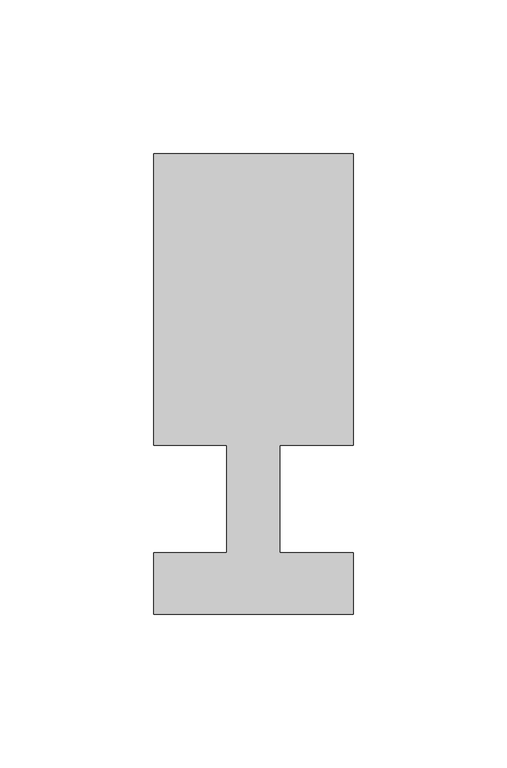
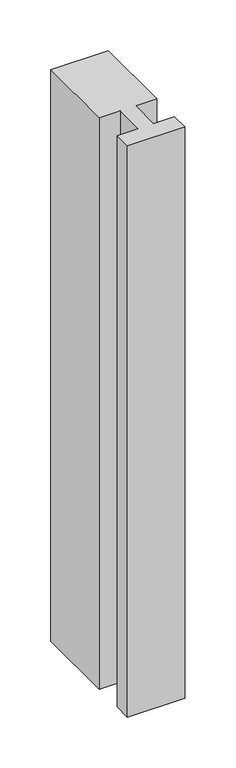
"""IFC4 building model written with IfcOpenShell, lengths in millimetres: member geometry."""

from ifc_helpers import new_model, si_unit, frame, origin, place, context, project, spatial, polyline, outline, extrude, source, transform, mapped, element, save


def member_43428e06(model_context):
    return source(origin(), model_context, "Body", "SweptSolid", [
        extrude(outline(polyline([(-32.5, -37.0), (-32.5, -17.0), (-8.6875, -17.0), (-8.6875, 18.0), (-32.5, 18.0), (-32.5, 113.0), (32.5, 113.0), (32.5, 18.0), (8.6875, 18.0), (8.6875, -17.0), (32.5, -17.0), (32.5, -37.0), (-32.5, -37.0)])), frame((0.0, 0.0, -685.0), z_axis=(0.0, 0.0, 1.0), x_axis=(1.0, 0.0, 0.0)), (0.0, 0.0, 1.0), 685.0),
    ])


if __name__ == "__main__":
    model = new_model("IFC4")
    model_context = context("Model", 3, world=origin())
    ifc_project = project(units=[si_unit("LENGTHUNIT", "METRE", prefix="MILLI")], contexts=[model_context])
    site = spatial("IfcSite", under=ifc_project)
    building = spatial("IfcBuilding", under=site)
    placement = place(None, origin())
    member_shape = member_43428e06(model_context)
    element("IfcMember", 1, at=placement, inside=building, context=model_context, shape_type="MappedRepresentation", body=[
        mapped(member_shape, transform((0.0, 0.0, 0.0), x_axis=(1.0, 0.0, 0.0), y_axis=(0.0, 1.0, 0.0), z_axis=(0.0, 0.0, 1.0))),
    ])
    save(model, "model.ifc")
